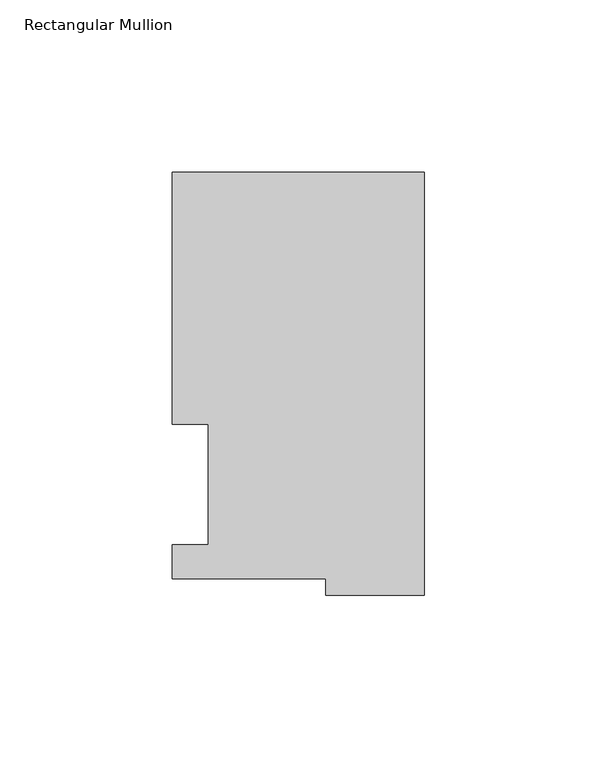
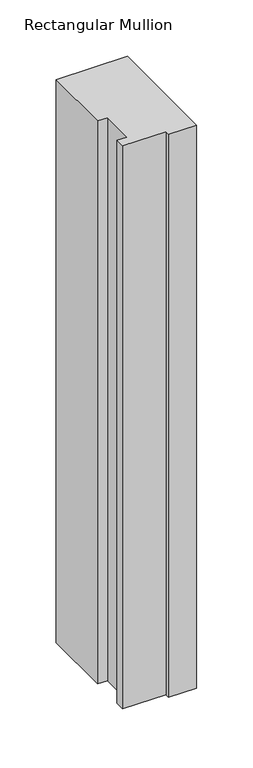
"""IFC4 building model written with IfcOpenShell, lengths in millimetres: member geometry, Rectangular Mullion."""

import ifcopenshell
import ifcopenshell.guid

model = None  # the IFC model being written
_history = None  # IfcOwnerHistory: only IFC2X3 demands one
_inside = {}  # id of a spatial element -> (the spatial element, [elements in it])
_under = {}  # id of a project, library or spatial element -> (it, [spatial elements below it])
_declared = {}  # id of a project -> (the project, [libraries it declares])
_typed = {}  # id of a type object -> (the type object, [elements of that type])
_made_of = {}  # id of a material, layer set ... -> (it, [elements and type objects made of it])


def new_model(schema):
    """Start an empty IFC model of exactly this schema.

    Asked for "IFC4X3", IfcOpenShell would pick the latest addendum, in which some entities
    have other attributes; the version numbers below select the first issue.
    IFC2X3 requires an IfcOwnerHistory on every rooted entity: one is made here for all.
    """
    global model, _history
    if schema == "IFC4X3":
        model = ifcopenshell.file(schema_version=(4, 3, 0, 0))
    else:
        model = ifcopenshell.file(schema=schema)
    _inside.clear()
    _under.clear()
    _declared.clear()
    _typed.clear()
    _made_of.clear()
    _history = None
    if model.schema == "IFC2X3":
        org = make("IfcOrganization", Name="unknown")
        user = make(
            "IfcPersonAndOrganization",
            ThePerson=make("IfcPerson", FamilyName="unknown"),
            TheOrganization=org,
        )
        app = make(
            "IfcApplication",
            ApplicationDeveloper=org,
            Version="unknown",
            ApplicationFullName="unknown",
            ApplicationIdentifier="unknown",
        )
        _history = make(
            "IfcOwnerHistory",
            OwningUser=user,
            OwningApplication=app,
            ChangeAction="ADDED",
            CreationDate=0,
        )
    return model


def make(cls, **values):
    """One entity of the class cls with the attributes given. An attribute that is None is left unset."""
    return model.create_entity(
        cls, **{name: value for name, value in values.items() if value is not None}
    )


def rooted(cls, **values):
    """An entity with a GlobalId (a new one), such as an element, a storey or a relation."""
    return make(cls, GlobalId=ifcopenshell.guid.new(), OwnerHistory=_history, **values)


def si_unit(unit_type, name, prefix=None):
    """IfcSIUnit, for example si_unit("LENGTHUNIT", "METRE", prefix="MILLI")."""
    return make("IfcSIUnit", UnitType=unit_type, Prefix=prefix, Name=name)


def assignment(units):
    """IfcUnitAssignment: the units of a project."""
    return None if units is None else make("IfcUnitAssignment", Units=units)


def point(xyz):
    """IfcCartesianPoint."""
    return None if xyz is None else make("IfcCartesianPoint", Coordinates=xyz)


def direction(xyz):
    """IfcDirection."""
    return None if xyz is None else make("IfcDirection", DirectionRatios=xyz)


def frame(location, z_axis=None, x_axis=None):
    """IfcAxis2Placement3D, a coordinate frame: its origin and axes. An axis left out is left unset."""
    return make(
        "IfcAxis2Placement3D",
        Location=point(location),
        Axis=direction(z_axis),
        RefDirection=direction(x_axis),
    )


def origin():
    """The frame at (0, 0, 0) with its axes left unset."""
    return frame((0.0, 0.0, 0.0))


def place(relative_to, where):
    """IfcLocalPlacement: puts the frame where relative to a parent placement (None: the world)."""
    return make(
        "IfcLocalPlacement", PlacementRelTo=relative_to, RelativePlacement=where
    )


def context(
    kind, dimensions, precision=None, world=None, true_north=None, identifier=None
):
    """IfcGeometricRepresentationContext, for example the 3D "Model" context."""
    return make(
        "IfcGeometricRepresentationContext",
        ContextIdentifier=identifier,
        ContextType=kind,
        CoordinateSpaceDimension=dimensions,
        Precision=precision,
        WorldCoordinateSystem=world,
        TrueNorth=true_north,
    )


def project(units=None, contexts=None):
    """IfcProject with its units and contexts."""
    return rooted(
        "IfcProject",
        Name="project",
        RepresentationContexts=contexts,
        UnitsInContext=assignment(units),
    )


def spatial(cls, under=None, at=None, **own):
    """A site, building, storey or space (cls), placed at a placement, below another one or the project."""
    s = rooted(cls, ObjectPlacement=at, **own)
    if under is not None:
        _under.setdefault(under.id(), (under, []))[1].append(s)
    return s


def polyline(points):
    """IfcPolyline through the points."""
    return make("IfcPolyline", Points=[point(p) for p in points])


def outline(outer, holes=None, kind="AREA"):
    """IfcArbitraryClosedProfileDef: a profile drawn as a closed curve; with holes, ...WithVoids."""
    if holes is None:
        return make("IfcArbitraryClosedProfileDef", ProfileType=kind, OuterCurve=outer)
    return make(
        "IfcArbitraryProfileDefWithVoids",
        ProfileType=kind,
        OuterCurve=outer,
        InnerCurves=holes,
    )


def extrude(swept, where, along, depth):
    """IfcExtrudedAreaSolid: the profile swept, set in the frame where, extruded along a direction by depth."""
    return make(
        "IfcExtrudedAreaSolid",
        SweptArea=swept,
        Position=where,
        ExtrudedDirection=direction(along),
        Depth=depth,
    )


def shape(context_of_items, identifier, shape_type, items):
    """IfcShapeRepresentation: the items that make up one representation, for example the "Body"."""
    return make(
        "IfcShapeRepresentation",
        ContextOfItems=context_of_items,
        RepresentationIdentifier=identifier,
        RepresentationType=shape_type,
        Items=items,
    )


def source(mapping_origin, context_of_items, identifier, shape_type, items):
    """IfcRepresentationMap: a shape defined once, which mapped items show again and again."""
    return make(
        "IfcRepresentationMap",
        MappingOrigin=mapping_origin,
        MappedRepresentation=shape(context_of_items, identifier, shape_type, items),
    )


def transform(
    local_origin,
    x_axis=None,
    y_axis=None,
    z_axis=None,
    scale=None,
    scale2=None,
    scale3=None,
    uniform=True,
):
    """IfcCartesianTransformationOperator3D, or its non-uniform kind. x_axis, y_axis, z_axis: its Axis1, 2, 3."""
    if uniform:
        return make(
            "IfcCartesianTransformationOperator3D",
            Axis1=direction(x_axis),
            Axis2=direction(y_axis),
            LocalOrigin=point(local_origin),
            Scale=scale,
            Axis3=direction(z_axis),
        )
    return make(
        "IfcCartesianTransformationOperator3DnonUniform",
        Axis1=direction(x_axis),
        Axis2=direction(y_axis),
        LocalOrigin=point(local_origin),
        Scale=scale,
        Axis3=direction(z_axis),
        Scale2=scale2,
        Scale3=scale3,
    )


def mapped(mapping_source, mapping_target):
    """IfcMappedItem: shows the shape of a source again, moved by a transform."""
    return make(
        "IfcMappedItem", MappingSource=mapping_source, MappingTarget=mapping_target
    )


def made_of(thing, what):
    """Note that an element or type object is made of a material, layer set ...; save() writes the relation."""
    if what is not None:
        _made_of.setdefault(what.id(), (what, []))[1].append(thing)
    return thing


def element(
    cls,
    number,
    at=None,
    inside=None,
    cuts=None,
    type_object=None,
    material=None,
    context=None,
    identifier="Body",
    shape_type=None,
    held_by="IfcProductDefinitionShape",
    body=None,
    shapes=None,
    **own,
):
    """One element of the class cls, such as IfcWall. Its Tag is "e" and its number.

    at: its placement. inside: the storey or other place that contains it. cuts: it is an
    opening in that element (IfcRelVoidsElement). A single representation is given by context,
    identifier, shape_type and body (its items); several are given by shapes. held_by: the class
    of the entity that holds the representations. save() writes the other relations.
    """
    e = rooted(cls, Tag="e%d" % number, ObjectPlacement=at, **own)
    if body is not None:
        shapes = [shape(context, identifier, shape_type, body)]
    if shapes is not None:
        e.Representation = make(held_by, Representations=shapes)
    if inside is not None:
        _inside.setdefault(inside.id(), (inside, []))[1].append(e)
    if cuts is not None:
        rooted(
            "IfcRelVoidsElement", RelatingBuildingElement=cuts, RelatedOpeningElement=e
        )
    if type_object is not None:
        _typed.setdefault(type_object.id(), (type_object, []))[1].append(e)
    return made_of(e, material)


def aggregate(whole, parts):
    """IfcRelAggregates: a whole, such as a stair, and the parts it consists of."""
    return rooted("IfcRelAggregates", RelatingObject=whole, RelatedObjects=parts)


def save(model, path):
    """Write the relations noted so far, then the file.

    IfcRelAggregates (storeys below a building ...), IfcRelContainedInSpatialStructure (elements
    in a storey), IfcRelDefinesByType, IfcRelAssociatesMaterial and IfcRelDeclares: one each for
    every whole, place, type object, material and project.
    """
    for whole, parts in _under.values():
        aggregate(whole, parts)
    for where, things in _inside.values():
        rooted(
            "IfcRelContainedInSpatialStructure",
            RelatedElements=things,
            RelatingStructure=where,
        )
    for kind, things in _typed.values():
        rooted("IfcRelDefinesByType", RelatedObjects=things, RelatingType=kind)
    for what, things in _made_of.values():
        rooted("IfcRelAssociatesMaterial", RelatedObjects=things, RelatingMaterial=what)
    for by, libraries in _declared.values():
        rooted("IfcRelDeclares", RelatingContext=by, RelatedDefinitions=libraries)
    model.write(path)


def rectangular_mullion_15a10928(model_context):
    return source(origin(), model_context, "Body", "SweptSolid", [
        extrude(outline(polyline([(0.0, 117.8829875), (0.0, -4.7228125), (-28.575, -4.7228125), (-28.575, 0.0269875), (-73.025, 0.0269875), (-73.025, 9.9329875), (-62.6872, 9.9329875), (-62.6872, 44.8579875), (-73.025, 44.8579875), (-73.025, 117.8829875), (0.0, 117.8829875)])), frame((0.0, 0.0, -609.6), z_axis=(0.0, 0.0, 1.0), x_axis=(1.0, 0.0, 0.0)), (0.0, 0.0, 1.0), 609.6),
    ])


if __name__ == "__main__":
    model = new_model("IFC4")
    model_context = context("Model", 3, world=origin())
    ifc_project = project(units=[si_unit("LENGTHUNIT", "METRE", prefix="MILLI")], contexts=[model_context])
    site = spatial("IfcSite", under=ifc_project)
    building = spatial("IfcBuilding", under=site)
    placement = place(None, origin())
    rectangular_mullion_shape = rectangular_mullion_15a10928(model_context)
    element("IfcMember", 1, ObjectType="Rectangular Mullion", at=placement, inside=building, context=model_context, shape_type="MappedRepresentation", body=[
        mapped(rectangular_mullion_shape, transform((0.0, 0.0, 0.0), x_axis=(1.0, 0.0, 0.0), y_axis=(0.0, 1.0, 0.0), z_axis=(0.0, 0.0, 1.0))),
    ])
    save(model, "model.ifc")
